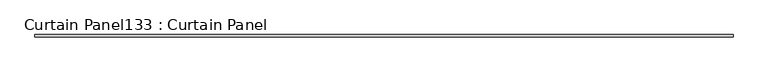
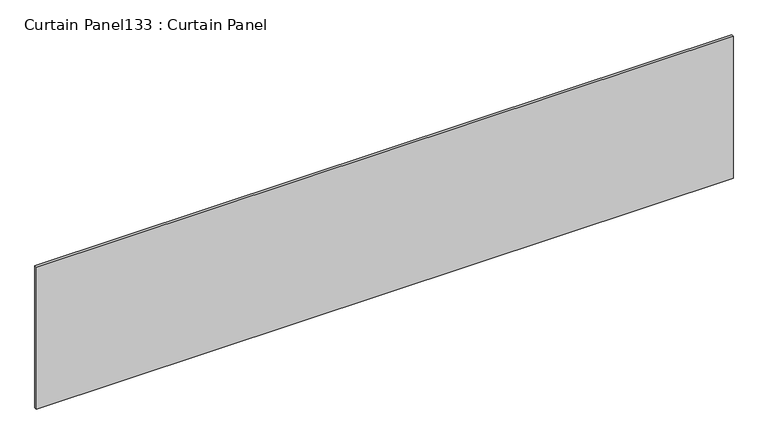
"""IFC4 building model written with IfcOpenShell, lengths in millimetres: plate geometry, Curtain Panel133 : Curtain Panel."""

from ifc_helpers import new_model, si_unit, frame, origin, place, context, project, spatial, polyline, outline, extrude, source, transform, mapped, element, save


def curtain_panel133_curtain_panel_038dbea4(model_context):
    return source(origin(), model_context, "Body", "SweptSolid", [
        extrude(outline(polyline([(300220.6925793, 2040.743529), (293210.2925793, 2040.743529), (293210.2925793, 2066.143529), (300220.6925793, 2066.143529), (300220.6925793, 2040.743529)])), frame((0.0, 0.0, 7170.9780839), z_axis=(0.0, 0.0, 1.0), x_axis=(1.0, 0.0, 0.0)), (0.0, 0.0, 1.0), 1509.7382978),
    ])


if __name__ == "__main__":
    model = new_model("IFC4")
    model_context = context("Model", 3, world=origin())
    ifc_project = project(units=[si_unit("LENGTHUNIT", "METRE", prefix="MILLI")], contexts=[model_context])
    site = spatial("IfcSite", under=ifc_project)
    building = spatial("IfcBuilding", under=site)
    placement = place(None, origin())
    curtain_panel133_curtain_panel_shape = curtain_panel133_curtain_panel_038dbea4(model_context)
    element("IfcPlate", 1, ObjectType="Curtain Panel133 : Curtain Panel", at=placement, inside=building, context=model_context, shape_type="MappedRepresentation", body=[
        mapped(curtain_panel133_curtain_panel_shape, transform((0.0, 0.0, 0.0), x_axis=(1.0, 0.0, 0.0), y_axis=(0.0, 1.0, 0.0), z_axis=(0.0, 0.0, 1.0))),
    ])
    save(model, "model.ifc")
